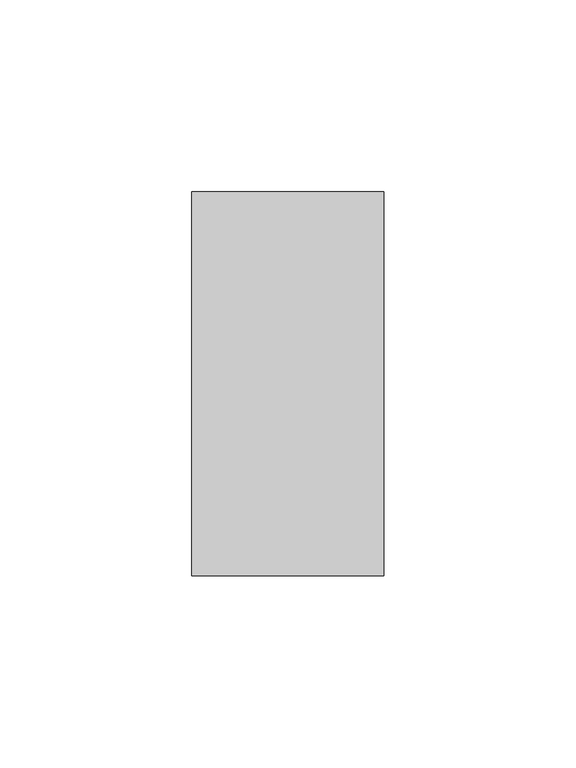
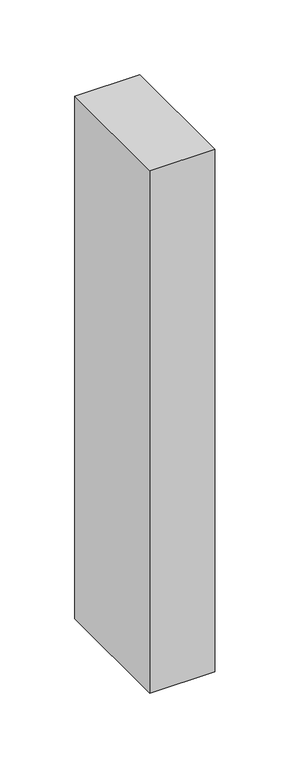
"""IFC4 building model written with IfcOpenShell, lengths in millimetres: member geometry."""

import ifcopenshell
import ifcopenshell.guid

model = None  # the IFC model being written
_history = None  # IfcOwnerHistory: only IFC2X3 demands one
_inside = {}  # id of a spatial element -> (the spatial element, [elements in it])
_under = {}  # id of a project, library or spatial element -> (it, [spatial elements below it])
_declared = {}  # id of a project -> (the project, [libraries it declares])
_typed = {}  # id of a type object -> (the type object, [elements of that type])
_made_of = {}  # id of a material, layer set ... -> (it, [elements and type objects made of it])


def new_model(schema):
    """Start an empty IFC model of exactly this schema.

    Asked for "IFC4X3", IfcOpenShell would pick the latest addendum, in which some entities
    have other attributes; the version numbers below select the first issue.
    IFC2X3 requires an IfcOwnerHistory on every rooted entity: one is made here for all.
    """
    global model, _history
    if schema == "IFC4X3":
        model = ifcopenshell.file(schema_version=(4, 3, 0, 0))
    else:
        model = ifcopenshell.file(schema=schema)
    _inside.clear()
    _under.clear()
    _declared.clear()
    _typed.clear()
    _made_of.clear()
    _history = None
    if model.schema == "IFC2X3":
        org = make("IfcOrganization", Name="unknown")
        user = make(
            "IfcPersonAndOrganization",
            ThePerson=make("IfcPerson", FamilyName="unknown"),
            TheOrganization=org,
        )
        app = make(
            "IfcApplication",
            ApplicationDeveloper=org,
            Version="unknown",
            ApplicationFullName="unknown",
            ApplicationIdentifier="unknown",
        )
        _history = make(
            "IfcOwnerHistory",
            OwningUser=user,
            OwningApplication=app,
            ChangeAction="ADDED",
            CreationDate=0,
        )
    return model


def make(cls, **values):
    """One entity of the class cls with the attributes given. An attribute that is None is left unset."""
    return model.create_entity(
        cls, **{name: value for name, value in values.items() if value is not None}
    )


def rooted(cls, **values):
    """An entity with a GlobalId (a new one), such as an element, a storey or a relation."""
    return make(cls, GlobalId=ifcopenshell.guid.new(), OwnerHistory=_history, **values)


def si_unit(unit_type, name, prefix=None):
    """IfcSIUnit, for example si_unit("LENGTHUNIT", "METRE", prefix="MILLI")."""
    return make("IfcSIUnit", UnitType=unit_type, Prefix=prefix, Name=name)


def assignment(units):
    """IfcUnitAssignment: the units of a project."""
    return None if units is None else make("IfcUnitAssignment", Units=units)


def point(xyz):
    """IfcCartesianPoint."""
    return None if xyz is None else make("IfcCartesianPoint", Coordinates=xyz)


def direction(xyz):
    """IfcDirection."""
    return None if xyz is None else make("IfcDirection", DirectionRatios=xyz)


def frame(location, z_axis=None, x_axis=None):
    """IfcAxis2Placement3D, a coordinate frame: its origin and axes. An axis left out is left unset."""
    return make(
        "IfcAxis2Placement3D",
        Location=point(location),
        Axis=direction(z_axis),
        RefDirection=direction(x_axis),
    )


def origin():
    """The frame at (0, 0, 0) with its axes left unset."""
    return frame((0.0, 0.0, 0.0))


def place(relative_to, where):
    """IfcLocalPlacement: puts the frame where relative to a parent placement (None: the world)."""
    return make(
        "IfcLocalPlacement", PlacementRelTo=relative_to, RelativePlacement=where
    )


def context(
    kind, dimensions, precision=None, world=None, true_north=None, identifier=None
):
    """IfcGeometricRepresentationContext, for example the 3D "Model" context."""
    return make(
        "IfcGeometricRepresentationContext",
        ContextIdentifier=identifier,
        ContextType=kind,
        CoordinateSpaceDimension=dimensions,
        Precision=precision,
        WorldCoordinateSystem=world,
        TrueNorth=true_north,
    )


def project(units=None, contexts=None):
    """IfcProject with its units and contexts."""
    return rooted(
        "IfcProject",
        Name="project",
        RepresentationContexts=contexts,
        UnitsInContext=assignment(units),
    )


def spatial(cls, under=None, at=None, **own):
    """A site, building, storey or space (cls), placed at a placement, below another one or the project."""
    s = rooted(cls, ObjectPlacement=at, **own)
    if under is not None:
        _under.setdefault(under.id(), (under, []))[1].append(s)
    return s


def polyline(points):
    """IfcPolyline through the points."""
    return make("IfcPolyline", Points=[point(p) for p in points])


def outline(outer, holes=None, kind="AREA"):
    """IfcArbitraryClosedProfileDef: a profile drawn as a closed curve; with holes, ...WithVoids."""
    if holes is None:
        return make("IfcArbitraryClosedProfileDef", ProfileType=kind, OuterCurve=outer)
    return make(
        "IfcArbitraryProfileDefWithVoids",
        ProfileType=kind,
        OuterCurve=outer,
        InnerCurves=holes,
    )


def extrude(swept, where, along, depth):
    """IfcExtrudedAreaSolid: the profile swept, set in the frame where, extruded along a direction by depth."""
    return make(
        "IfcExtrudedAreaSolid",
        SweptArea=swept,
        Position=where,
        ExtrudedDirection=direction(along),
        Depth=depth,
    )


def shape(context_of_items, identifier, shape_type, items):
    """IfcShapeRepresentation: the items that make up one representation, for example the "Body"."""
    return make(
        "IfcShapeRepresentation",
        ContextOfItems=context_of_items,
        RepresentationIdentifier=identifier,
        RepresentationType=shape_type,
        Items=items,
    )


def source(mapping_origin, context_of_items, identifier, shape_type, items):
    """IfcRepresentationMap: a shape defined once, which mapped items show again and again."""
    return make(
        "IfcRepresentationMap",
        MappingOrigin=mapping_origin,
        MappedRepresentation=shape(context_of_items, identifier, shape_type, items),
    )


def transform(
    local_origin,
    x_axis=None,
    y_axis=None,
    z_axis=None,
    scale=None,
    scale2=None,
    scale3=None,
    uniform=True,
):
    """IfcCartesianTransformationOperator3D, or its non-uniform kind. x_axis, y_axis, z_axis: its Axis1, 2, 3."""
    if uniform:
        return make(
            "IfcCartesianTransformationOperator3D",
            Axis1=direction(x_axis),
            Axis2=direction(y_axis),
            LocalOrigin=point(local_origin),
            Scale=scale,
            Axis3=direction(z_axis),
        )
    return make(
        "IfcCartesianTransformationOperator3DnonUniform",
        Axis1=direction(x_axis),
        Axis2=direction(y_axis),
        LocalOrigin=point(local_origin),
        Scale=scale,
        Axis3=direction(z_axis),
        Scale2=scale2,
        Scale3=scale3,
    )


def mapped(mapping_source, mapping_target):
    """IfcMappedItem: shows the shape of a source again, moved by a transform."""
    return make(
        "IfcMappedItem", MappingSource=mapping_source, MappingTarget=mapping_target
    )


def made_of(thing, what):
    """Note that an element or type object is made of a material, layer set ...; save() writes the relation."""
    if what is not None:
        _made_of.setdefault(what.id(), (what, []))[1].append(thing)
    return thing


def element(
    cls,
    number,
    at=None,
    inside=None,
    cuts=None,
    type_object=None,
    material=None,
    context=None,
    identifier="Body",
    shape_type=None,
    held_by="IfcProductDefinitionShape",
    body=None,
    shapes=None,
    **own,
):
    """One element of the class cls, such as IfcWall. Its Tag is "e" and its number.

    at: its placement. inside: the storey or other place that contains it. cuts: it is an
    opening in that element (IfcRelVoidsElement). A single representation is given by context,
    identifier, shape_type and body (its items); several are given by shapes. held_by: the class
    of the entity that holds the representations. save() writes the other relations.
    """
    e = rooted(cls, Tag="e%d" % number, ObjectPlacement=at, **own)
    if body is not None:
        shapes = [shape(context, identifier, shape_type, body)]
    if shapes is not None:
        e.Representation = make(held_by, Representations=shapes)
    if inside is not None:
        _inside.setdefault(inside.id(), (inside, []))[1].append(e)
    if cuts is not None:
        rooted(
            "IfcRelVoidsElement", RelatingBuildingElement=cuts, RelatedOpeningElement=e
        )
    if type_object is not None:
        _typed.setdefault(type_object.id(), (type_object, []))[1].append(e)
    return made_of(e, material)


def aggregate(whole, parts):
    """IfcRelAggregates: a whole, such as a stair, and the parts it consists of."""
    return rooted("IfcRelAggregates", RelatingObject=whole, RelatedObjects=parts)


def save(model, path):
    """Write the relations noted so far, then the file.

    IfcRelAggregates (storeys below a building ...), IfcRelContainedInSpatialStructure (elements
    in a storey), IfcRelDefinesByType, IfcRelAssociatesMaterial and IfcRelDeclares: one each for
    every whole, place, type object, material and project.
    """
    for whole, parts in _under.values():
        aggregate(whole, parts)
    for where, things in _inside.values():
        rooted(
            "IfcRelContainedInSpatialStructure",
            RelatedElements=things,
            RelatingStructure=where,
        )
    for kind, things in _typed.values():
        rooted("IfcRelDefinesByType", RelatedObjects=things, RelatingType=kind)
    for what, things in _made_of.values():
        rooted("IfcRelAssociatesMaterial", RelatedObjects=things, RelatingMaterial=what)
    for by, libraries in _declared.values():
        rooted("IfcRelDeclares", RelatingContext=by, RelatedDefinitions=libraries)
    model.write(path)


def member_ed752bbf(model_context):
    return source(origin(), model_context, "Body", "SweptSolid", [
        extrude(outline(polyline([(0.0, 50.0), (0.0, -50.0), (-50.0, -50.0), (-50.0, 50.0), (0.0, 50.0)])), frame((0.0, 0.0, -425.0), z_axis=(0.0, 0.0, 1.0), x_axis=(1.0, 0.0, 0.0)), (0.0, 0.0, 1.0), 425.0),
    ])


if __name__ == "__main__":
    model = new_model("IFC4")
    model_context = context("Model", 3, world=origin())
    ifc_project = project(units=[si_unit("LENGTHUNIT", "METRE", prefix="MILLI")], contexts=[model_context])
    site = spatial("IfcSite", under=ifc_project)
    building = spatial("IfcBuilding", under=site)
    placement = place(None, origin())
    member_shape = member_ed752bbf(model_context)
    element("IfcMember", 1, at=placement, inside=building, context=model_context, shape_type="MappedRepresentation", body=[
        mapped(member_shape, transform((0.0, 0.0, 0.0), x_axis=(1.0, 0.0, 0.0), y_axis=(0.0, 1.0, 0.0), z_axis=(0.0, 0.0, 1.0))),
    ])
    save(model, "model.ifc")
